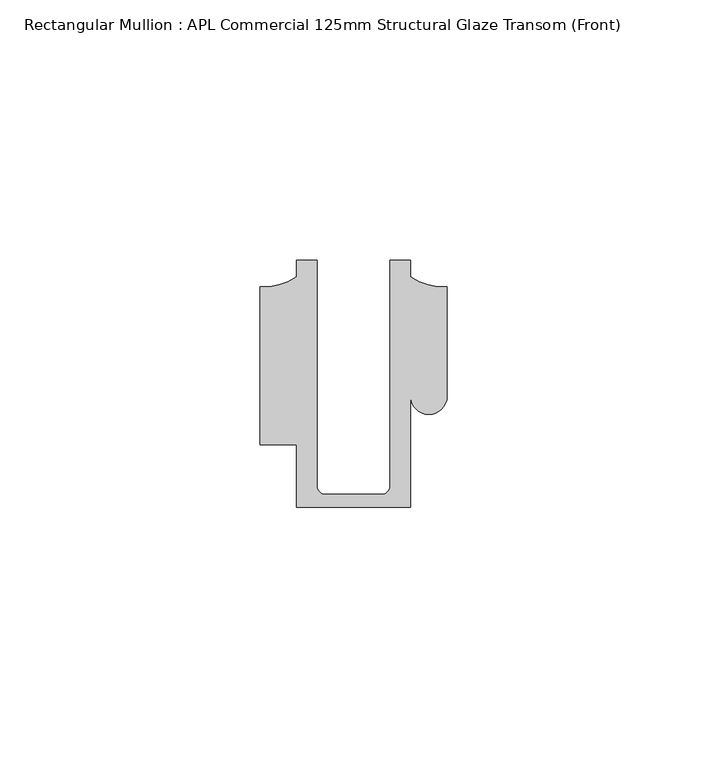
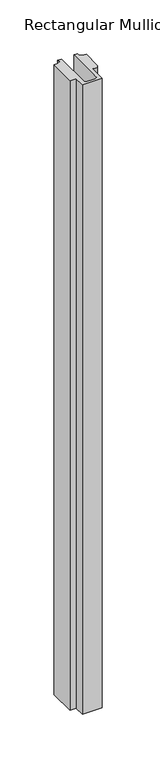
"""IFC4 building model written with IfcOpenShell, lengths in millimetres: member geometry, Rectangular Mullion : APL Commercial 125mm Structural Glaze Transom (Front)."""

from ifc_helpers import new_model, si_unit, frame, origin, place, context, project, spatial, polyline, circle_curve, source, transform, mapped, element, save
from ifc_brep_helpers import plane_surface, cylinder_surface, revolved_surface, advanced_brep


def rectangular_mullion_apl_commercial_125mm_structural_glaze_f2406f19(model_context):
    return source(origin(), model_context, "Body", "AdvancedBrep", [
        advanced_brep(
        [(-11.0000151, -27.0, 0.0), (11.001071, -27.0, 0.0), (11.001071, -5.5848769, 0.0), (17.9999091, -5.6750512, 0.0), (17.9999542, 15.3797475, 0.0), (11.0000151, 17.3125212, 0.0), (11.0000151, 20.5, 0.0), (6.9999849, 20.5, 0.0), (6.9999849, -22.9973451, 0.0), (5.4999872, -24.5, 0.0), (-5.4999873, -24.5, 0.0), (-6.9999853, -22.9976091, 0.0), (-6.9999853, 20.5, 0.0), (-10.9999994, 20.5, 0.0), (-10.9999994, 17.3125325, 0.0), (-17.9999542, 15.3797475, 0.0), (-17.9999542, -15.0006281, 0.0), (-11.0000151, -15.0006281, 0.0), (-11.0000151, -27.0, -743.3628625), (-11.0000151, -15.0006281, -743.3628625), (-17.9999542, -15.0006281, -743.3628625), (-17.9999542, 15.3797475, -743.3628625), (-10.9999994, 17.3125325, -743.3628625), (-10.9999994, 20.5, -743.3628625), (-6.9999853, 20.5, -743.3628625), (-6.9999853, -22.9976091, -743.3628625), (-5.4999873, -24.5, -743.3628625), (5.4999872, -24.5, -743.3628625), (6.9999849, -22.9973451, -743.3628625), (6.9999849, 20.5, -743.3628625), (11.0000151, 20.5, -743.3628625), (11.0000151, 17.3125212, -743.3628625), (17.9999542, 15.3797475, -743.3628625), (17.9999542, -5.684606, -743.3628625), (11.001071, -5.5848769, -743.3628625), (11.001071, -27.0, -743.3628625)],
        [
            (0, 1),
            (1, 2),
            (2, 3, circle_curve(frame((14.4999091, -5.6750512, 0.0), z_axis=(0.0, 0.0, 1.0), x_axis=(-0.9999826028573957, 0.005898642432633649, 0.0)), 3.5)),
            (3, 4),
            (4, 5, circle_curve(frame((17.109817, 25.7981812, 0.0), z_axis=(0.0, 0.0, -1.0), x_axis=(0.0, -1.0, 0.0)), 10.4563907)),
            (5, 6),
            (6, 7),
            (7, 8),
            (8, 9, circle_curve(frame((5.4999872, -23.0, 0.0), z_axis=(0.0, 0.0, -1.0), x_axis=(0.9999999999999986, 5.463622857820516e-08, 0.0)), 1.5)),
            (9, 10),
            (10, 11, circle_curve(frame((-5.4999873, -23.0, 0.0), z_axis=(0.0, 0.0, -1.0), x_axis=(2.7320010112268853e-08, -0.9999999999999997, 0.0)), 1.5)),
            (11, 12),
            (12, 13),
            (13, 14),
            (14, 15, circle_curve(frame((-17.109817, 25.7981812, 0.0), z_axis=(0.0, 0.0, -1.0), x_axis=(0.0, -1.0, 0.0)), 10.4563907)),
            (15, 16),
            (16, 17),
            (17, 0),
            (18, 19),
            (19, 20),
            (20, 21),
            (21, 22, circle_curve(frame((-17.109817, 25.7981812, -743.3628625), z_axis=(0.0, 0.0, 1.0), x_axis=(0.0, -1.0, 0.0)), 10.4563907)),
            (22, 23),
            (23, 24),
            (24, 25),
            (25, 26, circle_curve(frame((-5.4999873, -23.0, -743.3628625), z_axis=(0.0, 0.0, 1.0), x_axis=(2.7320010112268853e-08, -0.9999999999999997, 0.0)), 1.5)),
            (26, 27),
            (27, 28, circle_curve(frame((5.4999872, -23.0, -743.3628625), z_axis=(0.0, 0.0, 1.0), x_axis=(0.9999999999999986, 5.463622857820516e-08, 0.0)), 1.5)),
            (28, 29),
            (29, 30),
            (30, 31),
            (31, 32, circle_curve(frame((17.109817, 25.7981812, -743.3628625), z_axis=(0.0, 0.0, 1.0), x_axis=(0.0, -1.0, 0.0)), 10.4563907)),
            (32, 33),
            (33, 34, circle_curve(frame((14.4999091, -5.6750512, -743.3628625), z_axis=(0.0, 0.0, -1.0), x_axis=(-0.9999826028573957, 0.005898642432633649, 0.0)), 3.5)),
            (34, 35),
            (35, 18),
            (0, 18),
            (35, 1),
            (34, 2),
            (33, 3),
            (32, 4),
            (31, 5),
            (30, 6),
            (29, 7),
            (28, 8),
            (27, 9),
            (26, 10),
            (25, 11),
            (24, 12),
            (23, 13),
            (22, 14),
            (21, 15),
            (20, 16),
            (19, 17),
        ],
        [
            plane_surface(frame((0.0, -29.1551636, 0.0), z_axis=(0.0, 0.0, 1.0), x_axis=(-1.0, 0.0, 0.0))),
            plane_surface(frame((0.0, -29.1551636, -743.3628625), z_axis=(0.0, 0.0, -1.0), x_axis=(-1.0, 0.0, 0.0))),
            plane_surface(frame((-11.0000151, -27.0, 0.0), z_axis=(0.0, -1.0, 0.0), x_axis=(0.0, 0.0, -1.0))),
            plane_surface(frame((11.001071, -27.0, 0.0), z_axis=(1.0, 0.0, 0.0), x_axis=(0.0, 0.0, -1.0))),
            cylinder_surface(frame((14.4999091, -5.6750512, 0.0), z_axis=(0.0, 0.0, 1.0), x_axis=(-0.9999826028573957, 0.005898642432633649, 0.0)), 3.5),
            plane_surface(frame((17.9999542, -5.684606, 0.0), z_axis=(1.0, 0.0, 0.0), x_axis=(0.0, 0.0, -1.0))),
            revolved_surface(polyline([(17.109817, 15.341790499999998, -743.3628625), (17.109817, 15.341790499999998, 0.0)]), (17.109817, 25.7981812, 0.0), (0.0, 0.0, -1.0)),
            plane_surface(frame((11.0000151, 17.3125212, 0.0), z_axis=(1.0, 0.0, 0.0), x_axis=(0.0, 0.0, -1.0))),
            plane_surface(frame((11.0000151, 20.5, 0.0), z_axis=(0.0, 1.0, 0.0), x_axis=(0.0, 0.0, -1.0))),
            plane_surface(frame((6.9999849, 20.5, 0.0), z_axis=(-1.0, 0.0, 0.0), x_axis=(0.0, 0.0, -1.0))),
            revolved_surface(polyline([(6.999987199999998, -22.999999918045656, -743.3628625), (6.999987199999998, -22.999999918045656, 0.0)]), (5.4999872, -23.0, 0.0), (0.0, 0.0, -1.0)),
            plane_surface(frame((5.4999872, -24.5, 0.0), z_axis=(0.0, 1.0, 0.0), x_axis=(0.0, 0.0, -1.0))),
            revolved_surface(polyline([(-5.499987259019985, -24.5, -743.3628625), (-5.499987259019985, -24.5, 0.0)]), (-5.4999873, -23.0, 0.0), (0.0, 0.0, -1.0)),
            plane_surface(frame((-6.9999853, -22.9976091, 0.0), z_axis=(1.0, 0.0, 0.0), x_axis=(0.0, 0.0, -1.0))),
            plane_surface(frame((-6.9999853, 20.5, 0.0), z_axis=(0.0, 1.0, 0.0), x_axis=(0.0, 0.0, -1.0))),
            plane_surface(frame((-10.9999994, 20.5, 0.0), z_axis=(-1.0, 0.0, 0.0), x_axis=(0.0, 0.0, -1.0))),
            revolved_surface(polyline([(-17.109817, 15.341790499999998, -743.3628625), (-17.109817, 15.341790499999998, 0.0)]), (-17.109817, 25.7981812, 0.0), (0.0, 0.0, -1.0)),
            plane_surface(frame((-17.9999542, 15.3797475, 0.0), z_axis=(-1.0, 0.0, 0.0), x_axis=(0.0, 0.0, -1.0))),
            plane_surface(frame((-17.9999542, -15.0006281, 0.0), z_axis=(0.0, -1.0, 0.0), x_axis=(0.0, 0.0, -1.0))),
            plane_surface(frame((-11.0000151, -15.0006281, 0.0), z_axis=(-1.0, 0.0, 0.0), x_axis=(0.0, 0.0, -1.0))),
        ],
        [
            (0, [[1, 2, 3, 4, 5, 6, 7, 8, 9, 10, 11, 12, 13, 14, 15, 16, 17, 18]]),
            (1, [[19, 20, 21, 22, 23, 24, 25, 26, 27, 28, 29, 30, 31, 32, 33, 34, 35, 36]]),
            (2, [[-1, 37, -36, 38]]),
            (3, [[-2, -38, -35, 39]]),
            (4, [[-3, -39, -34, 40]]),
            (5, [[-4, -40, -33, 41]]),
            (6, [[-5, -41, -32, 42]]),
            (7, [[-6, -42, -31, 43]]),
            (8, [[-7, -43, -30, 44]]),
            (9, [[-8, -44, -29, 45]]),
            (10, [[-9, -45, -28, 46]]),
            (11, [[-10, -46, -27, 47]]),
            (12, [[-11, -47, -26, 48]]),
            (13, [[-12, -48, -25, 49]]),
            (14, [[-13, -49, -24, 50]]),
            (15, [[-14, -50, -23, 51]]),
            (16, [[-15, -51, -22, 52]]),
            (17, [[-16, -52, -21, 53]]),
            (18, [[-17, -53, -20, 54]]),
            (19, [[-18, -54, -19, -37]]),
        ],
    ),
    ])


if __name__ == "__main__":
    model = new_model("IFC4")
    model_context = context("Model", 3, world=origin())
    ifc_project = project(units=[si_unit("LENGTHUNIT", "METRE", prefix="MILLI")], contexts=[model_context])
    site = spatial("IfcSite", under=ifc_project)
    building = spatial("IfcBuilding", under=site)
    placement = place(None, origin())
    rectangular_mullion_apl_commercial_125mm_structural_glaze_shape = rectangular_mullion_apl_commercial_125mm_structural_glaze_f2406f19(model_context)
    element("IfcMember", 1, ObjectType="Rectangular Mullion : APL Commercial 125mm Structural Glaze Transom (Front)", at=placement, inside=building, context=model_context, shape_type="MappedRepresentation", body=[
        mapped(rectangular_mullion_apl_commercial_125mm_structural_glaze_shape, transform((0.0, 0.0, 0.0), x_axis=(1.0, 0.0, 0.0), y_axis=(0.0, 1.0, 0.0), z_axis=(0.0, 0.0, 1.0))),
    ])
    save(model, "model.ifc")
